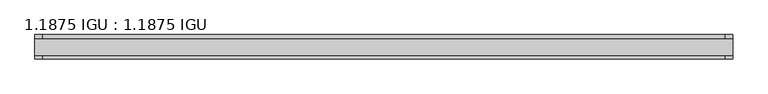
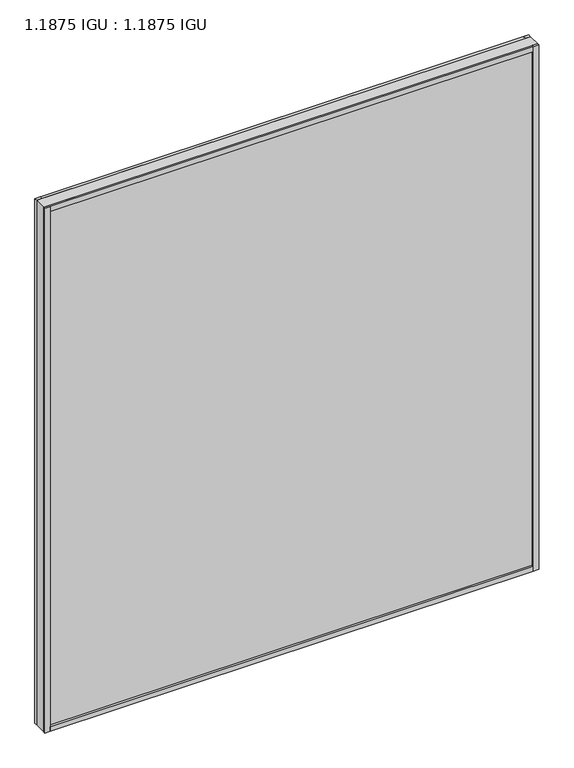
"""IFC4 building model written with IfcOpenShell, lengths in millimetres: plate geometry, 1.1875 IGU : 1.1875 IGU."""

from ifc_helpers import new_model, si_unit, frame, origin, origin_with_axes, place, context, project, spatial, polyline, outline, extrude, source, transform, mapped, element, save


def plate_1_1875_igu_1_1875_igu_7d164adc(model_context):
    return source(origin(), model_context, "Body", "SweptSolid", [
        extrude(outline(polyline([(598.4494, 47.4424375), (585.7748, 47.4424375), (585.7748, 54.1734375), (598.4494, 54.1734375), (598.4494, 47.4424375)])), origin_with_axes(), (0.0, 0.0, 1.0), 1343.025),
        extrude(outline(polyline([(598.4748, 17.3180375), (598.4748, 12.5428375), (585.7748, 12.5428375), (585.7748, 17.3180375), (598.4748, 17.3180375)])), origin_with_axes(), (0.0, 0.0, 1.0), 1343.025),
        extrude(outline(polyline([(-598.4494, 47.4424375), (-598.4494, 54.1734375), (-585.7748, 54.1734375), (-585.7748, 47.4424375), (-598.4494, 47.4424375)])), origin_with_axes(), (0.0, 0.0, 1.0), 1343.0504),
        extrude(outline(polyline([(-598.4748, 17.3180375), (-585.7748, 17.3180375), (-585.7748, 12.5680862), (-598.4748, 12.5680862), (-598.4748, 17.3180375)])), origin_with_axes(), (0.0, 0.0, 1.0), 1343.0504),
        extrude(outline(polyline([(585.7748, 54.1734375), (585.7748, 47.4424375), (-585.7748, 47.4424375), (-585.7748, 54.1734375), (585.7748, 54.1734375)])), origin_with_axes(), (0.0, 0.0, 1.0), 12.2958162),
        extrude(outline(polyline([(585.7748, 17.3180375), (585.7748, 12.5865709), (-585.7748, 12.5865709), (-585.7748, 17.3180375), (585.7748, 17.3180375)])), origin_with_axes(), (0.0, 0.0, 1.0), 12.2958162),
        extrude(outline(polyline([(598.4748, 54.1734375), (598.4748, 47.4424375), (-598.4748, 47.4424375), (-598.4748, 54.1734375), (598.4748, 54.1734375)])), frame((0.0, 0.0, 1330.7734242), z_axis=(0.0, 0.0, 1.0), x_axis=(1.0, 0.0, 0.0)), (0.0, 0.0, 1.0), 12.2515758),
        extrude(outline(polyline([(598.4748, 17.3180375), (598.4748, 12.5428375), (-598.4748, 12.5428375), (-598.4748, 17.3180375), (598.4748, 17.3180375)])), frame((0.0, 0.0, 1330.7734242), z_axis=(0.0, 0.0, 1.0), x_axis=(1.0, 0.0, 0.0)), (0.0, 0.0, 1.0), 12.2769758),
        extrude(outline(polyline([(598.4748, 17.3180375), (-598.4748, 17.3180375), (-598.4748, 47.4424375), (598.4748, 47.4424375), (598.4748, 17.3180375)])), origin_with_axes(), (0.0, 0.0, 1.0), 1343.0504),
    ])


if __name__ == "__main__":
    model = new_model("IFC4")
    model_context = context("Model", 3, world=origin())
    ifc_project = project(units=[si_unit("LENGTHUNIT", "METRE", prefix="MILLI")], contexts=[model_context])
    site = spatial("IfcSite", under=ifc_project)
    building = spatial("IfcBuilding", under=site)
    placement = place(None, origin())
    plate_1_1875_igu_1_1875_igu_shape = plate_1_1875_igu_1_1875_igu_7d164adc(model_context)
    element("IfcPlate", 1, ObjectType="1.1875 IGU : 1.1875 IGU", at=placement, inside=building, context=model_context, shape_type="MappedRepresentation", body=[
        mapped(plate_1_1875_igu_1_1875_igu_shape, transform((0.0, 0.0, 0.0), x_axis=(1.0, 0.0, 0.0), y_axis=(0.0, 1.0, 0.0), z_axis=(0.0, 0.0, 1.0))),
    ])
    save(model, "model.ifc")
